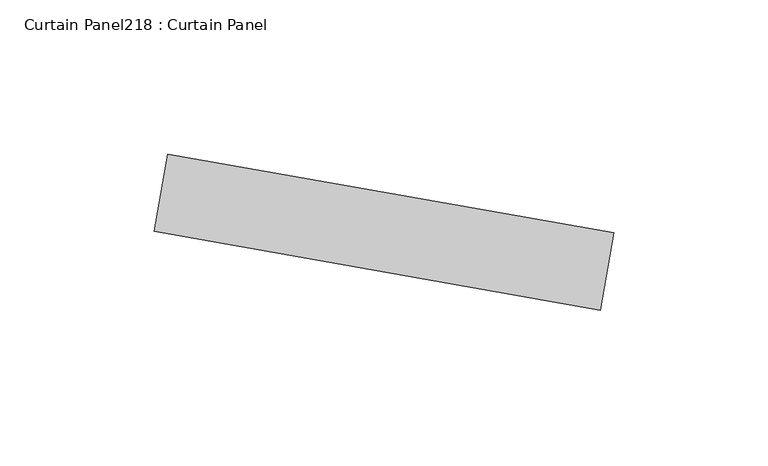
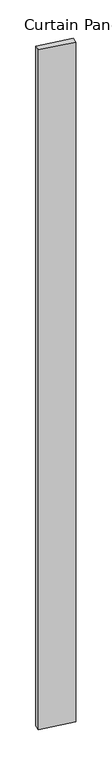
"""IFC4 building model written with IfcOpenShell, lengths in millimetres: plate geometry, Curtain Panel218 : Curtain Panel."""

from ifc_helpers import new_model, si_unit, frame, origin, place, context, project, spatial, polyline, outline, extrude, source, transform, mapped, element, save


def curtain_panel218_curtain_panel_0050b8cc(model_context):
    return source(origin(), model_context, "Body", "SweptSolid", [
        extrude(outline(polyline([(626052.1369271, 2426.1610443), (626196.6343601, 2400.6822482), (626192.2236964, 2375.6681313), (626047.7262634, 2401.1469274), (626052.1369271, 2426.1610443)])), frame((0.0, 0.0, 4959.7989371), z_axis=(0.0, 0.0, 1.0), x_axis=(1.0, 0.0, 0.0)), (0.0, 0.0, 1.0), 3048.0),
    ])


if __name__ == "__main__":
    model = new_model("IFC4")
    model_context = context("Model", 3, world=origin())
    ifc_project = project(units=[si_unit("LENGTHUNIT", "METRE", prefix="MILLI")], contexts=[model_context])
    site = spatial("IfcSite", under=ifc_project)
    building = spatial("IfcBuilding", under=site)
    placement = place(None, origin())
    curtain_panel218_curtain_panel_shape = curtain_panel218_curtain_panel_0050b8cc(model_context)
    element("IfcPlate", 1, ObjectType="Curtain Panel218 : Curtain Panel", at=placement, inside=building, context=model_context, shape_type="MappedRepresentation", body=[
        mapped(curtain_panel218_curtain_panel_shape, transform((0.0, 0.0, 0.0), x_axis=(1.0, 0.0, 0.0), y_axis=(0.0, 1.0, 0.0), z_axis=(0.0, 0.0, 1.0))),
    ])
    save(model, "model.ifc")
